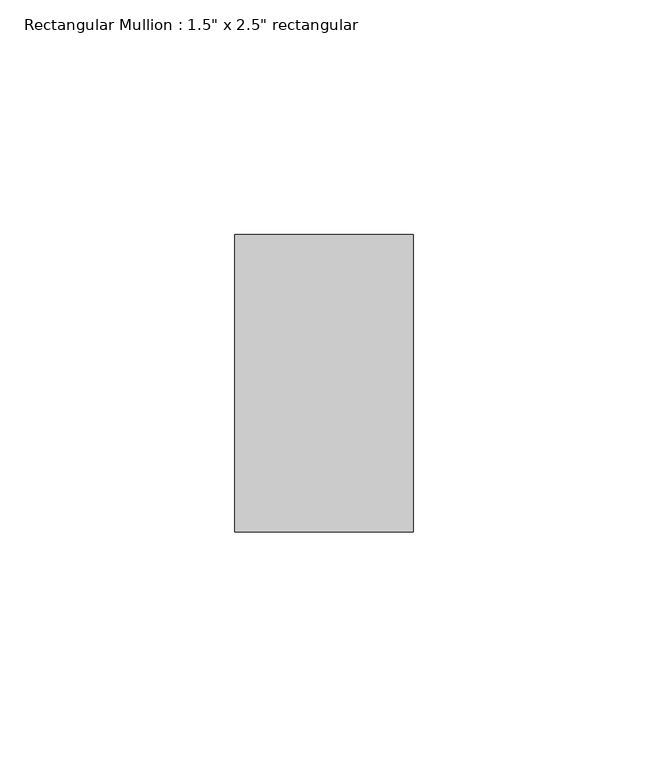
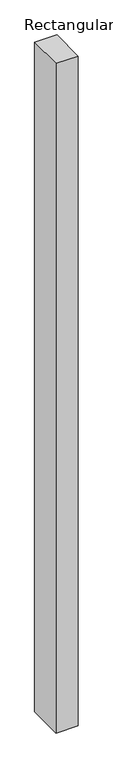
"""IFC4 building model written with IfcOpenShell, lengths in millimetres: member geometry."""

from ifc_helpers import new_model, si_unit, frame, origin, place, context, project, spatial, polyline, outline, extrude, source, transform, mapped, element, save


def member_4985627c(model_context):
    return source(origin(), model_context, "Body", "SweptSolid", [
        extrude(outline(polyline([(0.0, 31.75), (0.0, -31.75), (-38.1, -31.75), (-38.1, 31.75), (0.0, 31.75)])), frame((0.0, 0.0, -1219.2), z_axis=(0.0, 0.0, 1.0), x_axis=(1.0, 0.0, 0.0)), (0.0, 0.0, 1.0), 1219.2),
    ])


if __name__ == "__main__":
    model = new_model("IFC4")
    model_context = context("Model", 3, world=origin())
    ifc_project = project(units=[si_unit("LENGTHUNIT", "METRE", prefix="MILLI")], contexts=[model_context])
    site = spatial("IfcSite", under=ifc_project)
    building = spatial("IfcBuilding", under=site)
    placement = place(None, origin())
    member_shape = member_4985627c(model_context)
    element("IfcMember", 1, ObjectType="Rectangular Mullion : 1.5\" x 2.5\" rectangular", at=placement, inside=building, context=model_context, shape_type="MappedRepresentation", body=[
        mapped(member_shape, transform((0.0, 0.0, 0.0), x_axis=(1.0, 0.0, 0.0), y_axis=(0.0, 1.0, 0.0), z_axis=(0.0, 0.0, 1.0))),
    ])
    save(model, "model.ifc")
